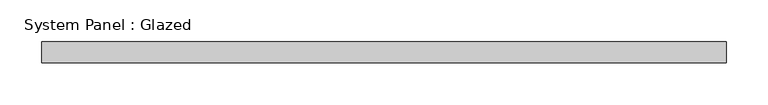
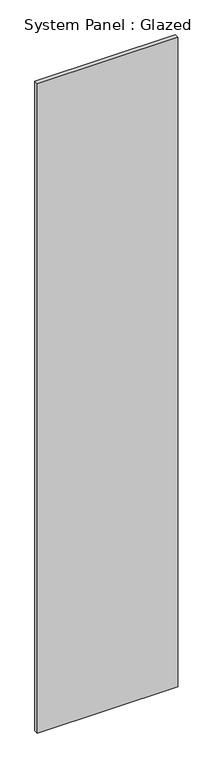
"""IFC4 building model written with IfcOpenShell, lengths in millimetres: plate geometry, System Panel : Glazed."""

import ifcopenshell
import ifcopenshell.guid

model = None  # the IFC model being written
_history = None  # IfcOwnerHistory: only IFC2X3 demands one
_inside = {}  # id of a spatial element -> (the spatial element, [elements in it])
_under = {}  # id of a project, library or spatial element -> (it, [spatial elements below it])
_declared = {}  # id of a project -> (the project, [libraries it declares])
_typed = {}  # id of a type object -> (the type object, [elements of that type])
_made_of = {}  # id of a material, layer set ... -> (it, [elements and type objects made of it])


def new_model(schema):
    """Start an empty IFC model of exactly this schema.

    Asked for "IFC4X3", IfcOpenShell would pick the latest addendum, in which some entities
    have other attributes; the version numbers below select the first issue.
    IFC2X3 requires an IfcOwnerHistory on every rooted entity: one is made here for all.
    """
    global model, _history
    if schema == "IFC4X3":
        model = ifcopenshell.file(schema_version=(4, 3, 0, 0))
    else:
        model = ifcopenshell.file(schema=schema)
    _inside.clear()
    _under.clear()
    _declared.clear()
    _typed.clear()
    _made_of.clear()
    _history = None
    if model.schema == "IFC2X3":
        org = make("IfcOrganization", Name="unknown")
        user = make(
            "IfcPersonAndOrganization",
            ThePerson=make("IfcPerson", FamilyName="unknown"),
            TheOrganization=org,
        )
        app = make(
            "IfcApplication",
            ApplicationDeveloper=org,
            Version="unknown",
            ApplicationFullName="unknown",
            ApplicationIdentifier="unknown",
        )
        _history = make(
            "IfcOwnerHistory",
            OwningUser=user,
            OwningApplication=app,
            ChangeAction="ADDED",
            CreationDate=0,
        )
    return model


def make(cls, **values):
    """One entity of the class cls with the attributes given. An attribute that is None is left unset."""
    return model.create_entity(
        cls, **{name: value for name, value in values.items() if value is not None}
    )


def rooted(cls, **values):
    """An entity with a GlobalId (a new one), such as an element, a storey or a relation."""
    return make(cls, GlobalId=ifcopenshell.guid.new(), OwnerHistory=_history, **values)


def si_unit(unit_type, name, prefix=None):
    """IfcSIUnit, for example si_unit("LENGTHUNIT", "METRE", prefix="MILLI")."""
    return make("IfcSIUnit", UnitType=unit_type, Prefix=prefix, Name=name)


def assignment(units):
    """IfcUnitAssignment: the units of a project."""
    return None if units is None else make("IfcUnitAssignment", Units=units)


def point(xyz):
    """IfcCartesianPoint."""
    return None if xyz is None else make("IfcCartesianPoint", Coordinates=xyz)


def direction(xyz):
    """IfcDirection."""
    return None if xyz is None else make("IfcDirection", DirectionRatios=xyz)


def frame(location, z_axis=None, x_axis=None):
    """IfcAxis2Placement3D, a coordinate frame: its origin and axes. An axis left out is left unset."""
    return make(
        "IfcAxis2Placement3D",
        Location=point(location),
        Axis=direction(z_axis),
        RefDirection=direction(x_axis),
    )


def origin():
    """The frame at (0, 0, 0) with its axes left unset."""
    return frame((0.0, 0.0, 0.0))


def origin_with_axes():
    """The frame at (0, 0, 0) with the z axis (0, 0, 1) and the x axis (1, 0, 0) written out."""
    return frame((0.0, 0.0, 0.0), z_axis=(0.0, 0.0, 1.0), x_axis=(1.0, 0.0, 0.0))


def place(relative_to, where):
    """IfcLocalPlacement: puts the frame where relative to a parent placement (None: the world)."""
    return make(
        "IfcLocalPlacement", PlacementRelTo=relative_to, RelativePlacement=where
    )


def context(
    kind, dimensions, precision=None, world=None, true_north=None, identifier=None
):
    """IfcGeometricRepresentationContext, for example the 3D "Model" context."""
    return make(
        "IfcGeometricRepresentationContext",
        ContextIdentifier=identifier,
        ContextType=kind,
        CoordinateSpaceDimension=dimensions,
        Precision=precision,
        WorldCoordinateSystem=world,
        TrueNorth=true_north,
    )


def project(units=None, contexts=None):
    """IfcProject with its units and contexts."""
    return rooted(
        "IfcProject",
        Name="project",
        RepresentationContexts=contexts,
        UnitsInContext=assignment(units),
    )


def spatial(cls, under=None, at=None, **own):
    """A site, building, storey or space (cls), placed at a placement, below another one or the project."""
    s = rooted(cls, ObjectPlacement=at, **own)
    if under is not None:
        _under.setdefault(under.id(), (under, []))[1].append(s)
    return s


def polyline(points):
    """IfcPolyline through the points."""
    return make("IfcPolyline", Points=[point(p) for p in points])


def outline(outer, holes=None, kind="AREA"):
    """IfcArbitraryClosedProfileDef: a profile drawn as a closed curve; with holes, ...WithVoids."""
    if holes is None:
        return make("IfcArbitraryClosedProfileDef", ProfileType=kind, OuterCurve=outer)
    return make(
        "IfcArbitraryProfileDefWithVoids",
        ProfileType=kind,
        OuterCurve=outer,
        InnerCurves=holes,
    )


def extrude(swept, where, along, depth):
    """IfcExtrudedAreaSolid: the profile swept, set in the frame where, extruded along a direction by depth."""
    return make(
        "IfcExtrudedAreaSolid",
        SweptArea=swept,
        Position=where,
        ExtrudedDirection=direction(along),
        Depth=depth,
    )


def shape(context_of_items, identifier, shape_type, items):
    """IfcShapeRepresentation: the items that make up one representation, for example the "Body"."""
    return make(
        "IfcShapeRepresentation",
        ContextOfItems=context_of_items,
        RepresentationIdentifier=identifier,
        RepresentationType=shape_type,
        Items=items,
    )


def source(mapping_origin, context_of_items, identifier, shape_type, items):
    """IfcRepresentationMap: a shape defined once, which mapped items show again and again."""
    return make(
        "IfcRepresentationMap",
        MappingOrigin=mapping_origin,
        MappedRepresentation=shape(context_of_items, identifier, shape_type, items),
    )


def transform(
    local_origin,
    x_axis=None,
    y_axis=None,
    z_axis=None,
    scale=None,
    scale2=None,
    scale3=None,
    uniform=True,
):
    """IfcCartesianTransformationOperator3D, or its non-uniform kind. x_axis, y_axis, z_axis: its Axis1, 2, 3."""
    if uniform:
        return make(
            "IfcCartesianTransformationOperator3D",
            Axis1=direction(x_axis),
            Axis2=direction(y_axis),
            LocalOrigin=point(local_origin),
            Scale=scale,
            Axis3=direction(z_axis),
        )
    return make(
        "IfcCartesianTransformationOperator3DnonUniform",
        Axis1=direction(x_axis),
        Axis2=direction(y_axis),
        LocalOrigin=point(local_origin),
        Scale=scale,
        Axis3=direction(z_axis),
        Scale2=scale2,
        Scale3=scale3,
    )


def mapped(mapping_source, mapping_target):
    """IfcMappedItem: shows the shape of a source again, moved by a transform."""
    return make(
        "IfcMappedItem", MappingSource=mapping_source, MappingTarget=mapping_target
    )


def made_of(thing, what):
    """Note that an element or type object is made of a material, layer set ...; save() writes the relation."""
    if what is not None:
        _made_of.setdefault(what.id(), (what, []))[1].append(thing)
    return thing


def element(
    cls,
    number,
    at=None,
    inside=None,
    cuts=None,
    type_object=None,
    material=None,
    context=None,
    identifier="Body",
    shape_type=None,
    held_by="IfcProductDefinitionShape",
    body=None,
    shapes=None,
    **own,
):
    """One element of the class cls, such as IfcWall. Its Tag is "e" and its number.

    at: its placement. inside: the storey or other place that contains it. cuts: it is an
    opening in that element (IfcRelVoidsElement). A single representation is given by context,
    identifier, shape_type and body (its items); several are given by shapes. held_by: the class
    of the entity that holds the representations. save() writes the other relations.
    """
    e = rooted(cls, Tag="e%d" % number, ObjectPlacement=at, **own)
    if body is not None:
        shapes = [shape(context, identifier, shape_type, body)]
    if shapes is not None:
        e.Representation = make(held_by, Representations=shapes)
    if inside is not None:
        _inside.setdefault(inside.id(), (inside, []))[1].append(e)
    if cuts is not None:
        rooted(
            "IfcRelVoidsElement", RelatingBuildingElement=cuts, RelatedOpeningElement=e
        )
    if type_object is not None:
        _typed.setdefault(type_object.id(), (type_object, []))[1].append(e)
    return made_of(e, material)


def aggregate(whole, parts):
    """IfcRelAggregates: a whole, such as a stair, and the parts it consists of."""
    return rooted("IfcRelAggregates", RelatingObject=whole, RelatedObjects=parts)


def save(model, path):
    """Write the relations noted so far, then the file.

    IfcRelAggregates (storeys below a building ...), IfcRelContainedInSpatialStructure (elements
    in a storey), IfcRelDefinesByType, IfcRelAssociatesMaterial and IfcRelDeclares: one each for
    every whole, place, type object, material and project.
    """
    for whole, parts in _under.values():
        aggregate(whole, parts)
    for where, things in _inside.values():
        rooted(
            "IfcRelContainedInSpatialStructure",
            RelatedElements=things,
            RelatingStructure=where,
        )
    for kind, things in _typed.values():
        rooted("IfcRelDefinesByType", RelatedObjects=things, RelatingType=kind)
    for what, things in _made_of.values():
        rooted("IfcRelAssociatesMaterial", RelatedObjects=things, RelatingMaterial=what)
    for by, libraries in _declared.values():
        rooted("IfcRelDeclares", RelatingContext=by, RelatedDefinitions=libraries)
    model.write(path)


def system_panel_glazed_fa604720(model_context):
    return source(origin(), model_context, "Body", "SweptSolid", [
        extrude(outline(polyline([(410.5177143, -49.5), (-410.5177143, -49.5), (-410.5177143, -24.5), (410.5177143, -24.5), (410.5177143, -49.5)])), origin_with_axes(), (0.0, 0.0, 1.0), 4015.0),
    ])


if __name__ == "__main__":
    model = new_model("IFC4")
    model_context = context("Model", 3, world=origin())
    ifc_project = project(units=[si_unit("LENGTHUNIT", "METRE", prefix="MILLI")], contexts=[model_context])
    site = spatial("IfcSite", under=ifc_project)
    building = spatial("IfcBuilding", under=site)
    placement = place(None, origin())
    system_panel_glazed_shape = system_panel_glazed_fa604720(model_context)
    element("IfcPlate", 1, ObjectType="System Panel : Glazed", at=placement, inside=building, context=model_context, shape_type="MappedRepresentation", body=[
        mapped(system_panel_glazed_shape, transform((0.0, 0.0, 0.0), x_axis=(1.0, 0.0, 0.0), y_axis=(0.0, 1.0, 0.0), z_axis=(0.0, 0.0, 1.0))),
    ])
    save(model, "model.ifc")
